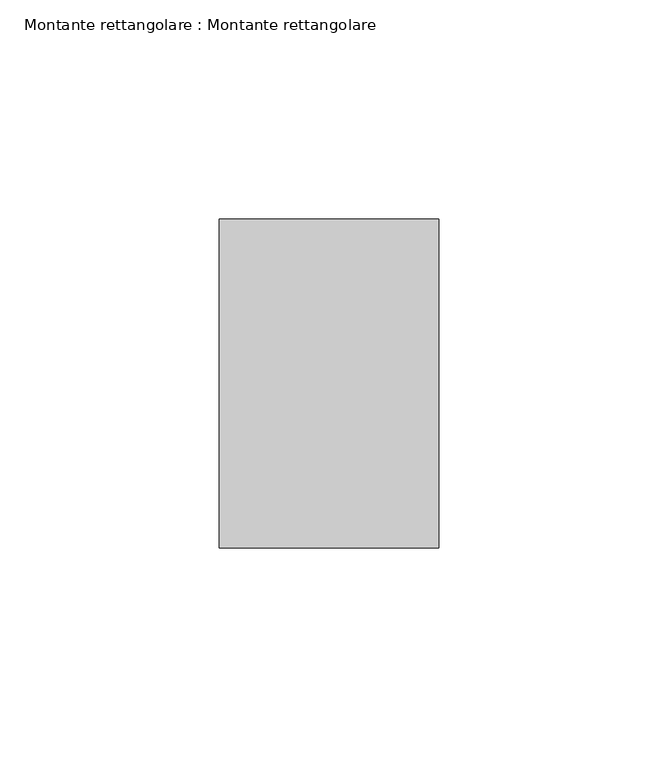
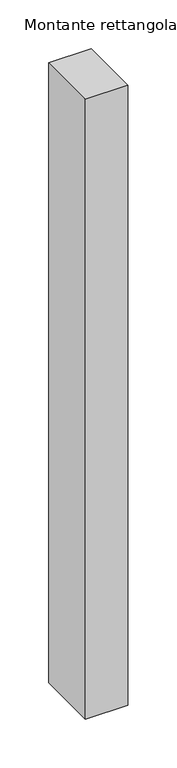
"""IFC4 building model written with IfcOpenShell, lengths in millimetres: member geometry, Montante rettangolare : Montante rettangolare."""

from ifc_helpers import new_model, si_unit, frame, origin, place, context, project, spatial, polyline, outline, extrude, source, transform, mapped, element, save


def montante_rettangolare_montante_rettangolare_1cd232ed(model_context):
    return source(origin(), model_context, "Body", "SweptSolid", [
        extrude(outline(polyline([(25.0, 37.5), (25.0, -37.5), (-25.0, -37.5), (-25.0, 37.5), (25.0, 37.5)])), frame((0.0, 0.0, -774.9995178), z_axis=(0.0, 0.0, 1.0), x_axis=(1.0, 0.0, 0.0)), (0.0, 0.0, 1.0), 774.9995178),
    ])


if __name__ == "__main__":
    model = new_model("IFC4")
    model_context = context("Model", 3, world=origin())
    ifc_project = project(units=[si_unit("LENGTHUNIT", "METRE", prefix="MILLI")], contexts=[model_context])
    site = spatial("IfcSite", under=ifc_project)
    building = spatial("IfcBuilding", under=site)
    placement = place(None, origin())
    montante_rettangolare_montante_rettangolare_shape = montante_rettangolare_montante_rettangolare_1cd232ed(model_context)
    element("IfcMember", 1, ObjectType="Montante rettangolare : Montante rettangolare", at=placement, inside=building, context=model_context, shape_type="MappedRepresentation", body=[
        mapped(montante_rettangolare_montante_rettangolare_shape, transform((0.0, 0.0, 0.0), x_axis=(1.0, 0.0, 0.0), y_axis=(0.0, 1.0, 0.0), z_axis=(0.0, 0.0, 1.0))),
    ])
    save(model, "model.ifc")
